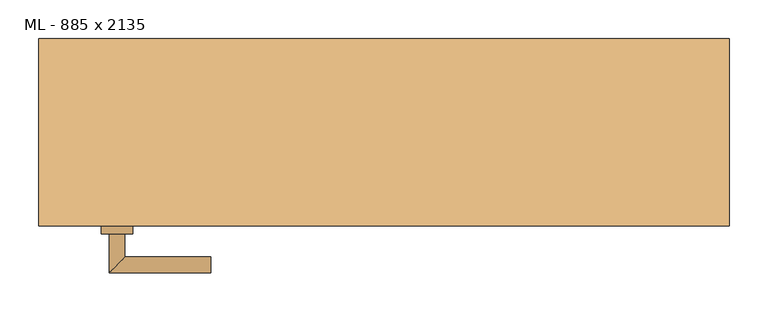
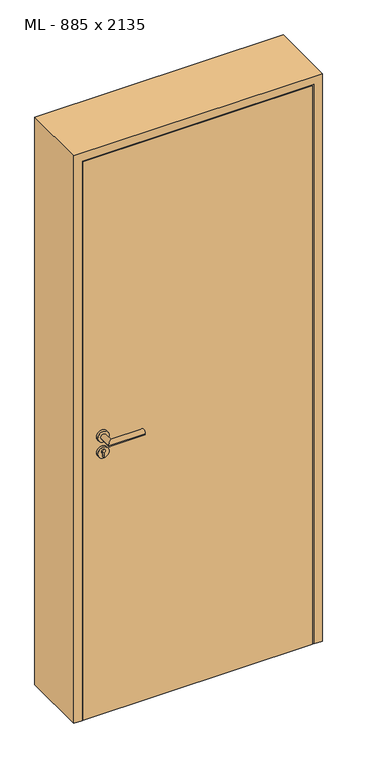
"""IFC4 building model written with IfcOpenShell, lengths in millimetres: door geometry, ML - 885 x 2135."""

from ifc_helpers import new_model, si_unit, point, frame, frame_2d, origin, origin_with_axes, place, context, project, spatial, polyline, circle_curve, ellipse_curve, trimmed, segment, composite_curve, outline, extrude, faceted_brep, source, transform, mapped, element, save
from ifc_brep_helpers import plane_surface, cylinder_surface, advanced_brep


def ml_885_x_2135_91e9e144(model_context):
    return source(origin(), model_context, "Body", "SolidModel", [
        extrude(outline(polyline([(408.5, -120.0), (-408.5, -120.0), (-408.5, -75.0), (408.5, -75.0), (408.5, -120.0)])), origin_with_axes(), (0.0, 0.0, 1.0), 2101.0),
        advanced_brep(
        [(-332.5, -130.0, 1050.0), (-352.5, -130.0, 1050.0), (-352.5, -180.0, 1050.0), (-332.5, -160.0, 1050.0), (-222.5, -160.0, 1050.0), (-222.5, -180.0, 1050.0)],
        [
            (0, 1, circle_curve(frame((-342.5, -130.0, 1050.0), z_axis=(0.0, 1.0, 0.0), x_axis=(-1.0, 0.0, 0.0)), 10.0)),
            (1, 0, circle_curve(frame((-342.5, -130.0, 1050.0), z_axis=(0.0, 1.0, 0.0), x_axis=(-1.0, 0.0, 0.0)), 10.0)),
            (1, 2),
            (2, 3, ellipse_curve(frame((-342.5, -170.0, 1050.0), z_axis=(-0.7071067811865531, 0.7071067811865419, 0.0), x_axis=(0.707106781186542, 0.707106781186553, 0.0)), 14.1421356, 10.0)),
            (3, 0),
            (3, 2, ellipse_curve(frame((-342.5, -170.0, 1050.0), z_axis=(-0.7071067811865531, 0.7071067811865419, 0.0), x_axis=(0.707106781186542, 0.707106781186553, 0.0)), 14.1421356, 10.0)),
            (4, 5, circle_curve(frame((-222.5, -170.0, 1050.0), z_axis=(1.0, 0.0, 0.0), x_axis=(0.0, -1.0, 0.0)), 10.0)),
            (5, 4, circle_curve(frame((-222.5, -170.0, 1050.0), z_axis=(1.0, 0.0, 0.0), x_axis=(0.0, -1.0, 0.0)), 10.0)),
            (2, 5),
            (4, 3),
        ],
        [
            plane_surface(frame((-342.5, -130.0, 1050.0), z_axis=(0.0, 1.0, 0.0), x_axis=(0.0, 0.0, 1.0))),
            cylinder_surface(frame((-342.5, -130.0, 1050.0), z_axis=(0.0, 1.0, 0.0), x_axis=(-1.0, 0.0, 0.0)), 10.0),
            plane_surface(frame((-222.5, -170.0, 1050.0), z_axis=(1.0, 0.0, 0.0), x_axis=(0.0, 0.0, 1.0))),
            cylinder_surface(frame((-342.5, -170.0, 1050.0), z_axis=(-1.0, 0.0, 0.0), x_axis=(0.0, -1.0, 0.0)), 10.0),
        ],
        [
            (0, [[1, 2]]),
            (1, [[3, 4, 5, -2]]),
            (1, [[-5, 6, -3, -1]]),
            (2, [[7, 8]]),
            (3, [[9, -7, 10, -4]]),
            (3, [[-10, -8, -9, -6]]),
        ],
    ),
        extrude(outline(composite_curve([segment(trimmed(circle_curve(frame_2d((990.0, -342.5)), 20.0), [point((990.0, -362.5))], [point((990.0, -322.5))], False, "CARTESIAN"), True, "CONTINUOUS"), segment(trimmed(circle_curve(frame_2d((990.0, -342.5)), 20.0), [point((990.0, -322.5))], [point((990.0, -362.5))], False, "CARTESIAN"), True, "CONTINUOUS")], self_intersect=False), holes=[composite_curve([segment(polyline([(976.4601385, -344.897268), (988.4749012, -344.897268)]), True, "CONTINUOUS"), segment(trimmed(circle_curve(frame_2d((995.0361633, -342.5)), 6.9854888), [point((988.4749012, -344.897268))], [point((988.4749012, -340.102732))], True, "CARTESIAN"), True, "CONTINUOUS"), segment(polyline([(988.4749012, -340.102732), (976.4601385, -340.102732)]), True, "CONTINUOUS"), segment(trimmed(circle_curve(frame_2d((976.4601385, -342.5)), 2.397268), [point((976.4601385, -340.102732))], [point((976.4601385, -344.897268))], True, "CARTESIAN"), True, "CONTINUOUS")], self_intersect=False)]), frame((0.0, -130.0, 0.0), z_axis=(0.0, 1.0, 0.0), x_axis=(0.0, 0.0, 1.0)), (0.0, 0.0, 1.0), 10.0),
        advanced_brep(
        [(-332.5, -130.0, 1050.0), (-352.5, -130.0, 1050.0), (-352.5, -180.0, 1050.0), (-332.5, -160.0, 1050.0), (-222.5, -160.0, 1050.0), (-222.5, -180.0, 1050.0)],
        [
            (0, 1, circle_curve(frame((-342.5, -130.0, 1050.0), z_axis=(0.0, 1.0, 0.0), x_axis=(-1.0, 0.0, 0.0)), 10.0)),
            (1, 0, circle_curve(frame((-342.5, -130.0, 1050.0), z_axis=(0.0, 1.0, 0.0), x_axis=(-1.0, 0.0, 0.0)), 10.0)),
            (1, 2),
            (2, 3, ellipse_curve(frame((-342.5, -170.0, 1050.0), z_axis=(-0.7071067811865537, 0.7071067811865414, 0.0), x_axis=(0.7071067811865414, 0.7071067811865536, 0.0)), 14.1421356, 10.0)),
            (3, 0),
            (3, 2, ellipse_curve(frame((-342.5, -170.0, 1050.0), z_axis=(-0.7071067811865537, 0.7071067811865414, 0.0), x_axis=(0.7071067811865414, 0.7071067811865536, 0.0)), 14.1421356, 10.0)),
            (4, 5, circle_curve(frame((-222.5, -170.0, 1050.0), z_axis=(1.0, 0.0, 0.0), x_axis=(0.0, -1.0, 0.0)), 10.0)),
            (5, 4, circle_curve(frame((-222.5, -170.0, 1050.0), z_axis=(1.0, 0.0, 0.0), x_axis=(0.0, -1.0, 0.0)), 10.0)),
            (2, 5),
            (4, 3),
        ],
        [
            plane_surface(frame((-342.5, -130.0, 1050.0), z_axis=(0.0, 1.0, 0.0), x_axis=(0.0, 0.0, 1.0))),
            cylinder_surface(frame((-342.5, -130.0, 1050.0), z_axis=(0.0, 1.0, 0.0), x_axis=(-1.0, 0.0, 0.0)), 10.0),
            plane_surface(frame((-222.5, -170.0, 1050.0), z_axis=(1.0, 0.0, 0.0), x_axis=(0.0, 0.0, 1.0))),
            cylinder_surface(frame((-342.5, -170.0, 1050.0), z_axis=(-1.0, 0.0, 0.0), x_axis=(0.0, -1.0, 0.0)), 10.0),
        ],
        [
            (0, [[1, 2]]),
            (1, [[3, 4, 5, -2]]),
            (1, [[-5, 6, -3, -1]]),
            (2, [[7, 8]]),
            (3, [[9, -7, 10, -4]]),
            (3, [[-10, -8, -9, -6]]),
        ],
    ),
        extrude(outline(composite_curve([segment(trimmed(circle_curve(frame_2d((1050.0, -342.5)), 20.0), [point((1050.0, -362.5))], [point((1050.0, -322.5))], False, "CARTESIAN"), True, "CONTINUOUS"), segment(trimmed(circle_curve(frame_2d((1050.0, -342.5)), 20.0), [point((1050.0, -322.5))], [point((1050.0, -362.5))], False, "CARTESIAN"), True, "CONTINUOUS")], self_intersect=False)), frame((0.0, -130.0, 0.0), z_axis=(0.0, 1.0, 0.0), x_axis=(0.0, 0.0, 1.0)), (0.0, 0.0, 1.0), 10.0),
        advanced_brep(
        [(-332.5, -65.0, 1050.0), (-352.5, -65.0, 1050.0), (-332.5, -35.0, 1050.0), (-352.5, -15.0, 1050.0), (-222.5, -35.0, 1050.0), (-222.5, -15.0, 1050.0)],
        [
            (0, 1, circle_curve(frame((-342.5, -65.0, 1050.0), z_axis=(0.0, -1.0, 0.0), x_axis=(-1.0, 0.0, 0.0)), 10.0)),
            (1, 0, circle_curve(frame((-342.5, -65.0, 1050.0), z_axis=(0.0, -1.0, 0.0), x_axis=(-1.0, 0.0, 0.0)), 10.0)),
            (0, 2),
            (2, 3, ellipse_curve(frame((-342.5, -25.0, 1050.0), z_axis=(-0.7071067811865486, -0.7071067811865464, 0.0), x_axis=(0.7071067811865464, -0.7071067811865488, 0.0)), 14.1421356, 10.0)),
            (3, 1),
            (3, 2, ellipse_curve(frame((-342.5, -25.0, 1050.0), z_axis=(-0.7071067811865486, -0.7071067811865464, 0.0), x_axis=(0.7071067811865464, -0.7071067811865488, 0.0)), 14.1421356, 10.0)),
            (4, 5, circle_curve(frame((-222.5, -25.0, 1050.0), z_axis=(1.0, 0.0, 0.0), x_axis=(0.0, 1.0, 0.0)), 10.0)),
            (5, 4, circle_curve(frame((-222.5, -25.0, 1050.0), z_axis=(1.0, 0.0, 0.0), x_axis=(0.0, 1.0, 0.0)), 10.0)),
            (2, 4),
            (5, 3),
        ],
        [
            plane_surface(frame((-342.5, -65.0, 1050.0), z_axis=(0.0, -1.0, 0.0), x_axis=(0.0, 0.0, 1.0))),
            cylinder_surface(frame((-342.5, -65.0, 1050.0), z_axis=(0.0, -1.0, 0.0), x_axis=(-1.0, 0.0, 0.0)), 10.0),
            plane_surface(frame((-222.5, -25.0, 1050.0), z_axis=(1.0, 0.0, 0.0), x_axis=(0.0, 0.0, 1.0))),
            cylinder_surface(frame((-342.5, -25.0, 1050.0), z_axis=(-1.0, 0.0, 0.0), x_axis=(0.0, 1.0, 0.0)), 10.0),
        ],
        [
            (0, [[1, 2]]),
            (1, [[-1, 3, 4, 5]]),
            (1, [[-2, -5, 6, -3]]),
            (2, [[7, 8]]),
            (3, [[-4, 9, -8, 10]]),
            (3, [[-6, -10, -7, -9]]),
        ],
    ),
        extrude(outline(composite_curve([segment(trimmed(circle_curve(frame_2d((990.0, -342.5)), 20.0), [point((990.0, -362.5))], [point((990.0, -322.5))], False, "CARTESIAN"), True, "CONTINUOUS"), segment(trimmed(circle_curve(frame_2d((990.0, -342.5)), 20.0), [point((990.0, -322.5))], [point((990.0, -362.5))], False, "CARTESIAN"), True, "CONTINUOUS")], self_intersect=False), holes=[composite_curve([segment(polyline([(976.4601385, -344.897268), (988.4749012, -344.897268)]), True, "CONTINUOUS"), segment(trimmed(circle_curve(frame_2d((995.0361633, -342.5)), 6.9854888), [point((988.4749012, -344.897268))], [point((988.4749012, -340.102732))], True, "CARTESIAN"), True, "CONTINUOUS"), segment(polyline([(988.4749012, -340.102732), (976.4601385, -340.102732)]), True, "CONTINUOUS"), segment(trimmed(circle_curve(frame_2d((976.4601385, -342.5)), 2.397268), [point((976.4601385, -340.102732))], [point((976.4601385, -344.897268))], True, "CARTESIAN"), True, "CONTINUOUS")], self_intersect=False)]), frame((0.0, -75.0, 0.0), z_axis=(0.0, 1.0, 0.0), x_axis=(0.0, 0.0, 1.0)), (0.0, 0.0, 1.0), 10.0),
        advanced_brep(
        [(-332.5, -65.0, 1050.0), (-352.5, -65.0, 1050.0), (-332.5, -35.0, 1050.0), (-352.5, -15.0, 1050.0), (-222.5, -35.0, 1050.0), (-222.5, -15.0, 1050.0)],
        [
            (0, 1, circle_curve(frame((-342.5, -65.0, 1050.0), z_axis=(0.0, -1.0, 0.0), x_axis=(-1.0, 0.0, 0.0)), 10.0)),
            (1, 0, circle_curve(frame((-342.5, -65.0, 1050.0), z_axis=(0.0, -1.0, 0.0), x_axis=(-1.0, 0.0, 0.0)), 10.0)),
            (0, 2),
            (2, 3, ellipse_curve(frame((-342.5, -25.0, 1050.0), z_axis=(-0.7071067811865491, -0.7071067811865459, 0.0), x_axis=(0.7071067811865458, -0.7071067811865492, 0.0)), 14.1421356, 10.0)),
            (3, 1),
            (3, 2, ellipse_curve(frame((-342.5, -25.0, 1050.0), z_axis=(-0.7071067811865491, -0.7071067811865459, 0.0), x_axis=(0.7071067811865458, -0.7071067811865492, 0.0)), 14.1421356, 10.0)),
            (4, 5, circle_curve(frame((-222.5, -25.0, 1050.0), z_axis=(1.0, 0.0, 0.0), x_axis=(0.0, 1.0, 0.0)), 10.0)),
            (5, 4, circle_curve(frame((-222.5, -25.0, 1050.0), z_axis=(1.0, 0.0, 0.0), x_axis=(0.0, 1.0, 0.0)), 10.0)),
            (2, 4),
            (5, 3),
        ],
        [
            plane_surface(frame((-342.5, -65.0, 1050.0), z_axis=(0.0, -1.0, 0.0), x_axis=(0.0, 0.0, 1.0))),
            cylinder_surface(frame((-342.5, -65.0, 1050.0), z_axis=(0.0, -1.0, 0.0), x_axis=(-1.0, 0.0, 0.0)), 10.0),
            plane_surface(frame((-222.5, -25.0, 1050.0), z_axis=(1.0, 0.0, 0.0), x_axis=(0.0, 0.0, 1.0))),
            cylinder_surface(frame((-342.5, -25.0, 1050.0), z_axis=(-1.0, 0.0, 0.0), x_axis=(0.0, 1.0, 0.0)), 10.0),
        ],
        [
            (0, [[1, 2]]),
            (1, [[-1, 3, 4, 5]]),
            (1, [[-2, -5, 6, -3]]),
            (2, [[7, 8]]),
            (3, [[-4, 9, -8, 10]]),
            (3, [[-6, -10, -7, -9]]),
        ],
    ),
        extrude(outline(composite_curve([segment(trimmed(circle_curve(frame_2d((1050.0, -342.5)), 20.0), [point((1050.0, -362.5))], [point((1050.0, -322.5))], False, "CARTESIAN"), True, "CONTINUOUS"), segment(trimmed(circle_curve(frame_2d((1050.0, -342.5)), 20.0), [point((1050.0, -322.5))], [point((1050.0, -362.5))], False, "CARTESIAN"), True, "CONTINUOUS")], self_intersect=False)), frame((0.0, -75.0, 0.0), z_axis=(0.0, 1.0, 0.0), x_axis=(0.0, 0.0, 1.0)), (0.0, 0.0, 1.0), 10.0),
        faceted_brep([(-412.5, -120.0, 0.0), (-442.5, -120.0, 0.0), (-442.5, 120.0, 0.0), (-397.5, 120.0, 0.0), (-397.5, -75.0, 0.0), (-412.5, -75.0, 0.0), (-412.5, -75.0, 2105.0), (-412.5, -120.0, 2105.0), (-397.5, -75.0, 2090.0), (397.5, -75.0, 2090.0), (397.5, -75.0, 0.0), (412.5, -75.0, 0.0), (412.5, -75.0, 2105.0), (-397.5, 120.0, 2090.0), (-442.5, 120.0, 2135.0), (442.5, 120.0, 2135.0), (442.5, 120.0, 0.0), (397.5, 120.0, 0.0), (397.5, 120.0, 2090.0), (-442.5, -120.0, 2135.0), (412.5, -120.0, 2105.0), (412.5, -120.0, 0.0), (442.5, -120.0, 0.0), (442.5, -120.0, 2135.0)], [[[0, 1, 2, 3, 4, 5]], [[5, 6, 7, 0]], [[4, 8, 9, 10, 11, 12, 6, 5]], [[3, 13, 8, 4]], [[2, 14, 15, 16, 17, 18, 13, 3]], [[1, 19, 14, 2]], [[0, 7, 20, 21, 22, 23, 19, 1]], [[23, 22, 16, 15]], [[21, 11, 10, 17, 16, 22]], [[12, 11, 21, 20]], [[18, 17, 10, 9]], [[19, 23, 15, 14]], [[13, 18, 9, 8]], [[6, 12, 20, 7]]]),
    ])


if __name__ == "__main__":
    model = new_model("IFC4")
    model_context = context("Model", 3, world=origin())
    ifc_project = project(units=[si_unit("LENGTHUNIT", "METRE", prefix="MILLI")], contexts=[model_context])
    site = spatial("IfcSite", under=ifc_project)
    building = spatial("IfcBuilding", under=site)
    placement = place(None, origin())
    ml_885_x_2135_shape = ml_885_x_2135_91e9e144(model_context)
    element("IfcDoor", 1, ObjectType="ML - 885 x 2135", at=placement, inside=building, context=model_context, shape_type="MappedRepresentation", body=[
        mapped(ml_885_x_2135_shape, transform((0.0, 0.0, 0.0), x_axis=(1.0, 0.0, 0.0), y_axis=(0.0, 1.0, 0.0), z_axis=(0.0, 0.0, 1.0))),
    ])
    save(model, "model.ifc")
